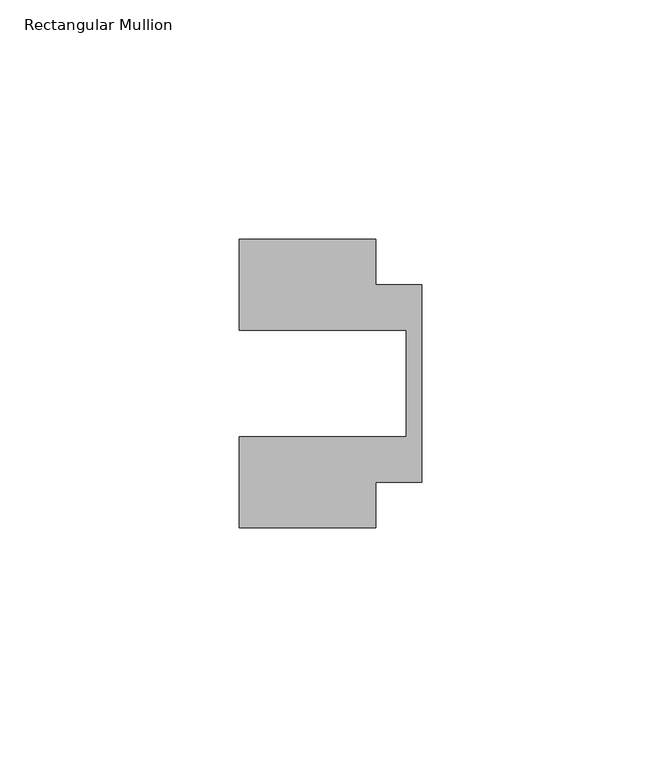
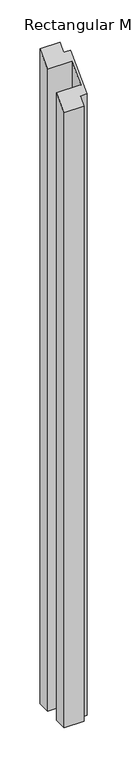
"""IFC4 building model written with IfcOpenShell, lengths in millimetres: member geometry, Rectangular Mullion."""

from ifc_helpers import new_model, si_unit, origin, place, context, project, spatial, faceted_brep, source, transform, mapped, element, save


def rectangular_mullion_eed59ef4(model_context):
    return source(origin(), model_context, "Body", "Brep", [
        faceted_brep([(-38.1, 11.1125, -963.6125), (-38.1, 30.1625, -963.6125), (-9.525, 30.1625, -963.6125), (-9.525, 20.6375, -963.6125), (0.0, 20.6375, -963.6125), (0.0, -20.6375, -963.6125), (-9.525, -20.6375, -963.6125), (-9.525, -30.1625, -963.6125), (-38.1, -30.1625, -963.6125), (-38.1, -11.1125, -963.6125), (-3.175, -11.1125, -963.6125), (-3.175, 11.1125, -963.6125), (-3.175, 11.1125, 11.1125), (-38.1, 11.1125, 11.1125), (-3.175, -11.1125, -11.1125), (-38.1, -11.1125, -11.1125), (-38.1, -30.1625, -30.1625), (-9.525, -30.1625, -30.1625), (-9.525, -20.6375, -20.6375), (0.0, -20.6375, -20.6375), (0.0, 20.6375, 20.6375), (-9.525, 20.6375, 20.6375), (-9.525, 30.1625, 30.1625), (-38.1, 30.1625, 30.1625)], [[[0, 1, 2, 3, 4, 5, 6, 7, 8, 9, 10, 11]], [[12, 13, 0, 11]], [[14, 12, 11, 10]], [[15, 14, 10, 9]], [[16, 15, 9, 8]], [[17, 16, 8, 7]], [[18, 17, 7, 6]], [[19, 18, 6, 5]], [[20, 19, 5, 4]], [[21, 20, 4, 3]], [[22, 21, 3, 2]], [[23, 22, 2, 1]], [[13, 23, 1, 0]], [[13, 12, 14, 15, 16, 17, 18, 19, 20, 21, 22, 23]]]),
    ])


if __name__ == "__main__":
    model = new_model("IFC4")
    model_context = context("Model", 3, world=origin())
    ifc_project = project(units=[si_unit("LENGTHUNIT", "METRE", prefix="MILLI")], contexts=[model_context])
    site = spatial("IfcSite", under=ifc_project)
    building = spatial("IfcBuilding", under=site)
    placement = place(None, origin())
    rectangular_mullion_shape = rectangular_mullion_eed59ef4(model_context)
    element("IfcMember", 1, ObjectType="Rectangular Mullion", at=placement, inside=building, context=model_context, shape_type="MappedRepresentation", body=[
        mapped(rectangular_mullion_shape, transform((0.0, 0.0, 0.0), x_axis=(1.0, 0.0, 0.0), y_axis=(0.0, 1.0, 0.0), z_axis=(0.0, 0.0, 1.0))),
    ])
    save(model, "model.ifc")
